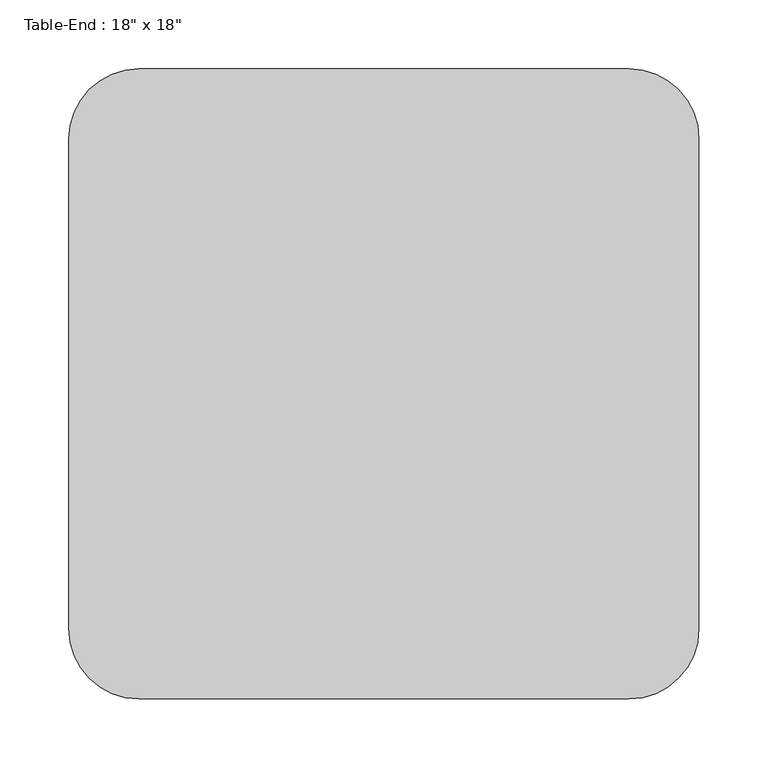
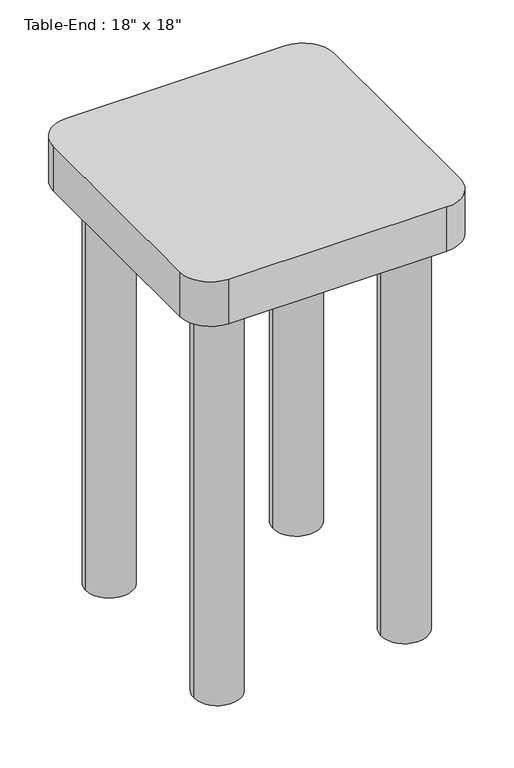
"""IFC4 building model written with IfcOpenShell, lengths in millimetres: furniture geometry."""

from ifc_helpers import new_model, si_unit, point, frame, frame_2d, origin, origin_with_axes, place, context, project, spatial, polyline, circle_curve, trimmed, segment, composite_curve, outline, extrude, source, transform, mapped, element, save


def furniture_8f05db13(model_context):
    return source(origin(), model_context, "Body", "SweptSolid", [
        extrude(outline(composite_curve([segment(polyline([(410.1336303, -76.2), (54.5336303, -76.2)]), True, "CONTINUOUS"), segment(trimmed(circle_curve(frame_2d((54.5336303, -25.4)), 50.8), [point((54.5336303, -76.2))], [point((3.7336303, -25.4))], False, "CARTESIAN"), True, "CONTINUOUS"), segment(polyline([(3.7336303, -25.4), (3.7336303, 330.2)]), True, "CONTINUOUS"), segment(trimmed(circle_curve(frame_2d((54.5336303, 330.2)), 50.8), [point((3.7336303, 330.2))], [point((54.5336303, 381.0))], False, "CARTESIAN"), True, "CONTINUOUS"), segment(polyline([(54.5336303, 381.0), (410.1336303, 381.0)]), True, "CONTINUOUS"), segment(trimmed(circle_curve(frame_2d((410.1336303, 330.2)), 50.8), [point((410.1336303, 381.0))], [point((460.9336303, 330.2))], False, "CARTESIAN"), True, "CONTINUOUS"), segment(polyline([(460.9336303, 330.2), (460.9336303, -25.4)]), True, "CONTINUOUS"), segment(trimmed(circle_curve(frame_2d((410.1336303, -25.4)), 50.8), [point((460.9336303, -25.4))], [point((410.1336303, -76.2))], False, "CARTESIAN"), True, "CONTINUOUS")], self_intersect=False)), frame((0.0, 0.0, 685.8), z_axis=(0.0, 0.0, 1.0), x_axis=(1.0, 0.0, 0.0)), (0.0, 0.0, 1.0), 76.2),
        extrude(outline(composite_curve([segment(trimmed(circle_curve(frame_2d((79.9336303, 304.8)), 38.1), [point((41.8336303, 304.8))], [point((118.0336303, 304.8))], False, "CARTESIAN"), True, "CONTINUOUS"), segment(trimmed(circle_curve(frame_2d((79.9336303, 304.8)), 38.1), [point((118.0336303, 304.8))], [point((41.8336303, 304.8))], False, "CARTESIAN"), True, "CONTINUOUS")], self_intersect=False)), origin_with_axes(), (0.0, 0.0, 1.0), 685.8),
        extrude(outline(composite_curve([segment(trimmed(circle_curve(frame_2d((79.9336303, 0.0)), 38.1), [point((41.8336303, 0.0))], [point((118.0336303, 0.0))], False, "CARTESIAN"), True, "CONTINUOUS"), segment(trimmed(circle_curve(frame_2d((79.9336303, 0.0)), 38.1), [point((118.0336303, 0.0))], [point((41.8336303, 0.0))], False, "CARTESIAN"), True, "CONTINUOUS")], self_intersect=False)), origin_with_axes(), (0.0, 0.0, 1.0), 685.8),
        extrude(outline(composite_curve([segment(trimmed(circle_curve(frame_2d((384.7336303, 0.0)), 38.1), [point((346.6336303, 0.0))], [point((422.8336303, 0.0))], False, "CARTESIAN"), True, "CONTINUOUS"), segment(trimmed(circle_curve(frame_2d((384.7336303, 0.0)), 38.1), [point((422.8336303, 0.0))], [point((346.6336303, 0.0))], False, "CARTESIAN"), True, "CONTINUOUS")], self_intersect=False)), origin_with_axes(), (0.0, 0.0, 1.0), 685.8),
        extrude(outline(composite_curve([segment(trimmed(circle_curve(frame_2d((384.7336303, 304.8)), 38.1), [point((346.6336303, 304.8))], [point((422.8336303, 304.8))], False, "CARTESIAN"), True, "CONTINUOUS"), segment(trimmed(circle_curve(frame_2d((384.7336303, 304.8)), 38.1), [point((422.8336303, 304.8))], [point((346.6336303, 304.8))], False, "CARTESIAN"), True, "CONTINUOUS")], self_intersect=False)), origin_with_axes(), (0.0, 0.0, 1.0), 685.8),
    ])


if __name__ == "__main__":
    model = new_model("IFC4")
    model_context = context("Model", 3, world=origin())
    ifc_project = project(units=[si_unit("LENGTHUNIT", "METRE", prefix="MILLI")], contexts=[model_context])
    site = spatial("IfcSite", under=ifc_project)
    building = spatial("IfcBuilding", under=site)
    placement = place(None, origin())
    furniture_shape = furniture_8f05db13(model_context)
    element("IfcFurniture", 1, ObjectType="Table-End : 18\" x 18\"", at=placement, inside=building, context=model_context, shape_type="MappedRepresentation", body=[
        mapped(furniture_shape, transform((0.0, 0.0, 0.0), x_axis=(1.0, 0.0, 0.0), y_axis=(0.0, 1.0, 0.0), z_axis=(0.0, 0.0, 1.0))),
    ])
    save(model, "model.ifc")
